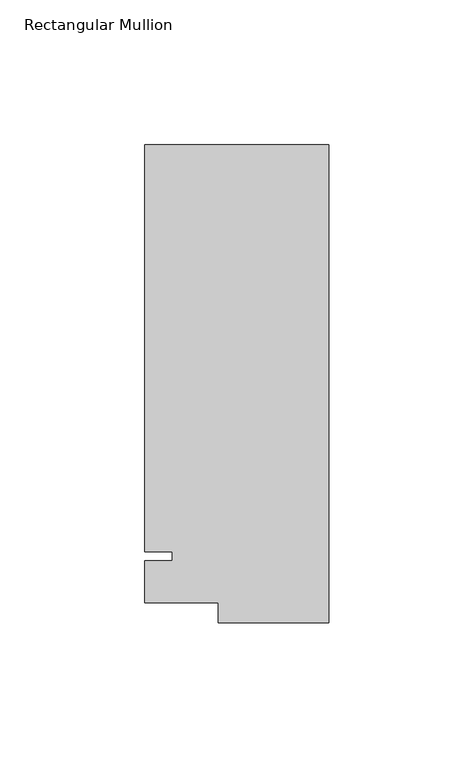
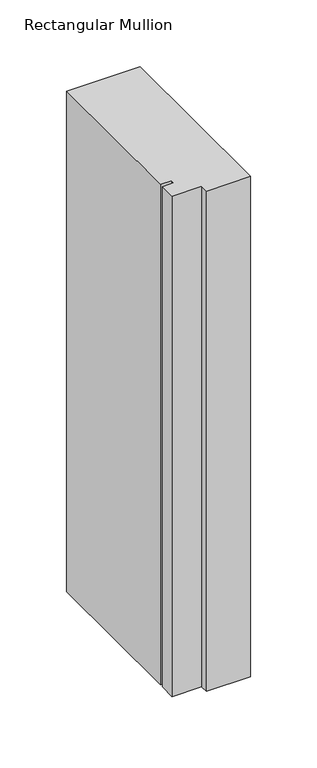
"""IFC4 building model written with IfcOpenShell, lengths in millimetres: member geometry, Rectangular Mullion."""

from ifc_helpers import new_model, si_unit, frame, origin, place, context, project, spatial, polyline, outline, extrude, source, transform, mapped, element, save


def rectangular_mullion_ed7903c1(model_context):
    return source(origin(), model_context, "Body", "SweptSolid", [
        extrude(outline(polyline([(-38.1, -32.54375), (-38.1, -25.58415), (-63.5, -25.58415), (-63.5, -11.1125), (-53.975, -11.1125), (-53.975, -7.9375), (-63.5, -7.9375), (-63.5, 132.55625), (0.0, 132.55625), (0.0, -32.54375), (-38.1, -32.54375)])), frame((0.0, 0.0, -457.2), z_axis=(0.0, 0.0, 1.0), x_axis=(1.0, 0.0, 0.0)), (0.0, 0.0, 1.0), 457.2),
    ])


if __name__ == "__main__":
    model = new_model("IFC4")
    model_context = context("Model", 3, world=origin())
    ifc_project = project(units=[si_unit("LENGTHUNIT", "METRE", prefix="MILLI")], contexts=[model_context])
    site = spatial("IfcSite", under=ifc_project)
    building = spatial("IfcBuilding", under=site)
    placement = place(None, origin())
    rectangular_mullion_shape = rectangular_mullion_ed7903c1(model_context)
    element("IfcMember", 1, ObjectType="Rectangular Mullion", at=placement, inside=building, context=model_context, shape_type="MappedRepresentation", body=[
        mapped(rectangular_mullion_shape, transform((0.0, 0.0, 0.0), x_axis=(1.0, 0.0, 0.0), y_axis=(0.0, 1.0, 0.0), z_axis=(0.0, 0.0, 1.0))),
    ])
    save(model, "model.ifc")
